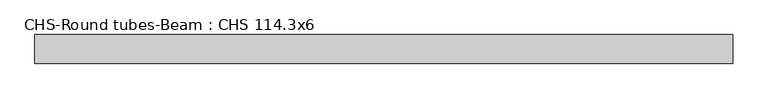
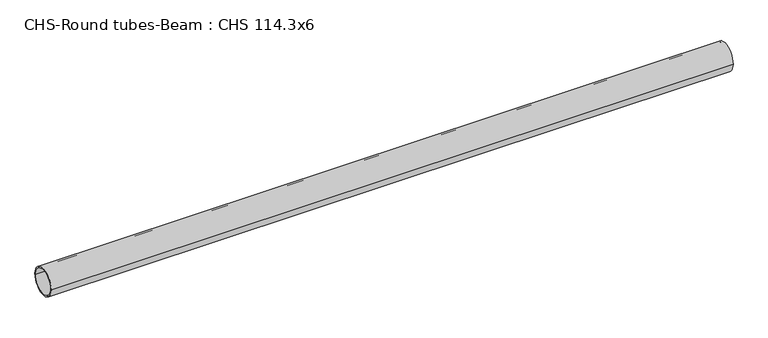
"""IFC4 building model written with IfcOpenShell, lengths in millimetres: beam geometry, CHS-Round tubes-Beam : CHS 114.3x6."""

from ifc_helpers import new_model, si_unit, point, frame, origin, origin_2d, place, context, project, spatial, circle_curve, trimmed, segment, composite_curve, outline, extrude, source, transform, mapped, element, save


def chs_round_tubes_beam_chs_114_3x6_72f27bf2(model_context):
    return source(origin(), model_context, "Body", "SweptSolid", [
        extrude(outline(composite_curve([segment(trimmed(circle_curve(origin_2d(), 57.15), [point((57.15, 0.0))], [point((-57.15, 0.0))], False, "CARTESIAN"), True, "CONTINUOUS"), segment(trimmed(circle_curve(origin_2d(), 57.15), [point((-57.15, 0.0))], [point((57.15, 0.0))], False, "CARTESIAN"), True, "CONTINUOUS")], self_intersect=False), holes=[composite_curve([segment(trimmed(circle_curve(origin_2d(), 51.15), [point((51.15, 0.0))], [point((-51.15, 0.0))], True, "CARTESIAN"), True, "CONTINUOUS"), segment(trimmed(circle_curve(origin_2d(), 51.15), [point((-51.15, 0.0))], [point((51.15, 0.0))], True, "CARTESIAN"), True, "CONTINUOUS")], self_intersect=False)]), frame((-1349.992183, 0.0, 0.0), z_axis=(1.0, 0.0, 0.0), x_axis=(0.0, 1.0, 0.0)), (0.0, 0.0, 1.0), 2788.6565606),
    ])


if __name__ == "__main__":
    model = new_model("IFC4")
    model_context = context("Model", 3, world=origin())
    ifc_project = project(units=[si_unit("LENGTHUNIT", "METRE", prefix="MILLI")], contexts=[model_context])
    site = spatial("IfcSite", under=ifc_project)
    building = spatial("IfcBuilding", under=site)
    placement = place(None, origin())
    chs_round_tubes_beam_chs_114_3x6_shape = chs_round_tubes_beam_chs_114_3x6_72f27bf2(model_context)
    element("IfcBeam", 1, ObjectType="CHS-Round tubes-Beam : CHS 114.3x6", at=placement, inside=building, context=model_context, shape_type="MappedRepresentation", body=[
        mapped(chs_round_tubes_beam_chs_114_3x6_shape, transform((0.0, 0.0, 0.0), x_axis=(1.0, 0.0, 0.0), y_axis=(0.0, 1.0, 0.0), z_axis=(0.0, 0.0, 1.0))),
    ])
    save(model, "model.ifc")
